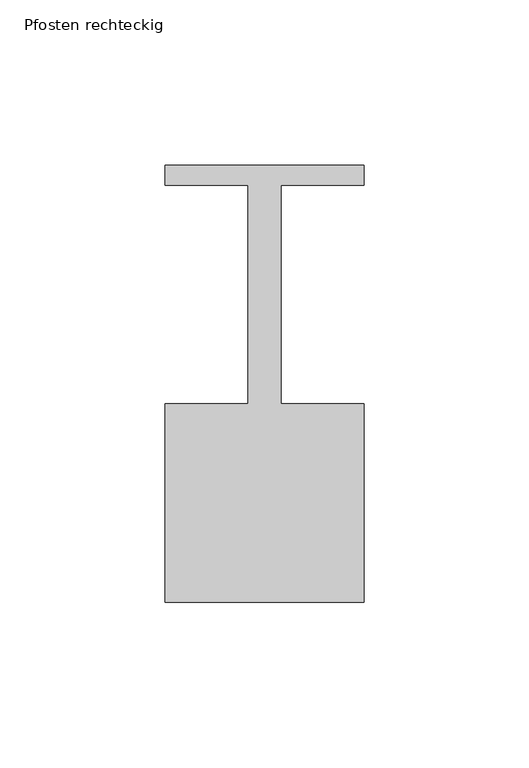
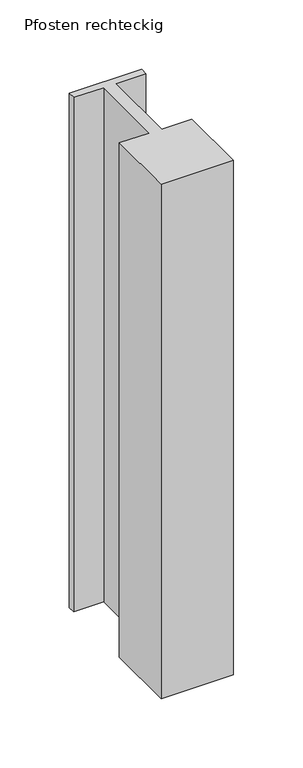
"""IFC4 building model written with IfcOpenShell, lengths in millimetres: member geometry, Pfosten rechteckig."""

from ifc_helpers import new_model, si_unit, frame, origin, place, context, project, spatial, polyline, outline, extrude, source, transform, mapped, element, save


def pfosten_rechteckig_1efbd85f(model_context):
    return source(origin(), model_context, "Body", "SweptSolid", [
        extrude(outline(polyline([(30.0, 6.0), (30.0, 0.0), (5.0, 0.0), (5.0, -66.0), (30.0, -66.0), (30.0, -126.0), (-30.0, -126.0), (-30.0, -66.0), (-5.0, -66.0), (-5.0, 0.0), (-30.0, 0.0), (-30.0, 6.0), (30.0, 6.0)])), frame((0.0, 0.0, -452.0), z_axis=(0.0, 0.0, 1.0), x_axis=(1.0, 0.0, 0.0)), (0.0, 0.0, 1.0), 452.0),
    ])


if __name__ == "__main__":
    model = new_model("IFC4")
    model_context = context("Model", 3, world=origin())
    ifc_project = project(units=[si_unit("LENGTHUNIT", "METRE", prefix="MILLI")], contexts=[model_context])
    site = spatial("IfcSite", under=ifc_project)
    building = spatial("IfcBuilding", under=site)
    placement = place(None, origin())
    pfosten_rechteckig_shape = pfosten_rechteckig_1efbd85f(model_context)
    element("IfcMember", 1, ObjectType="Pfosten rechteckig", at=placement, inside=building, context=model_context, shape_type="MappedRepresentation", body=[
        mapped(pfosten_rechteckig_shape, transform((0.0, 0.0, 0.0), x_axis=(1.0, 0.0, 0.0), y_axis=(0.0, 1.0, 0.0), z_axis=(0.0, 0.0, 1.0))),
    ])
    save(model, "model.ifc")
